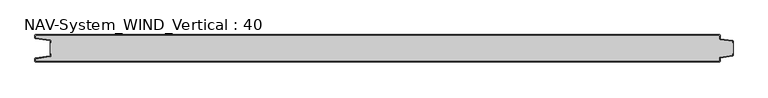
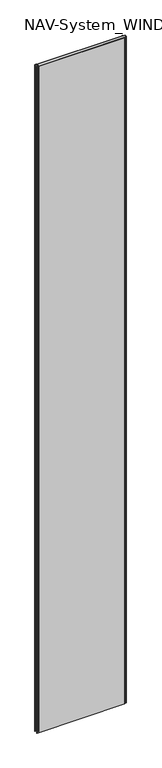
"""IFC4 building model written with IfcOpenShell, lengths in millimetres: plate geometry, NAV-System_WIND_Vertical : 40."""

from ifc_helpers import new_model, si_unit, point, frame_2d, origin, origin_with_axes, place, context, project, spatial, polyline, circle_curve, trimmed, segment, composite_curve, outline, extrude, source, transform, mapped, element, save


def nav_system_wind_vertical_40_eac60de3(model_context):
    return source(origin(), model_context, "Body", "SweptSolid", [
        extrude(outline(composite_curve([segment(polyline([(519.0, -28.2932637), (519.0, -30.1932637)]), True, "CONTINUOUS"), segment(trimmed(circle_curve(frame_2d((517.7, -30.1932637)), 1.3), [point((519.0, -30.1932637))], [point((517.8810287, -31.4805976))], False, "CARTESIAN"), True, "CONTINUOUS"), segment(polyline([(517.8810287, -31.4805976), (500.602523, -33.9103519)]), True, "CONTINUOUS"), segment(trimmed(circle_curve(frame_2d((500.7, -34.6035317)), 0.7), [point((500.602523, -33.9103519))], [point((500.0, -34.6035317))], True, "CARTESIAN"), True, "CONTINUOUS"), segment(polyline([(500.0, -34.6035317), (500.0, -38.7)]), True, "CONTINUOUS"), segment(trimmed(circle_curve(frame_2d((498.7, -38.7)), 1.3), [point((500.0, -38.7))], [point((498.7, -40.0))], False, "CARTESIAN"), True, "CONTINUOUS"), segment(polyline([(498.7, -40.0), (-498.7, -40.0)]), True, "CONTINUOUS"), segment(trimmed(circle_curve(frame_2d((-498.7, -38.7)), 1.3), [point((-498.7, -40.0))], [point((-500.0, -38.7))], False, "CARTESIAN"), True, "CONTINUOUS"), segment(polyline([(-500.0, -38.7), (-500.0, -35.6299809)]), True, "CONTINUOUS"), segment(trimmed(circle_curve(frame_2d((-498.7, -35.6299809)), 1.3), [point((-500.0, -35.6299809))], [point((-498.8810287, -34.342647))], False, "CARTESIAN"), True, "CONTINUOUS"), segment(polyline([(-498.8810287, -34.342647), (-478.102523, -31.4207123)]), True, "CONTINUOUS"), segment(trimmed(circle_curve(frame_2d((-478.2, -30.7275325)), 0.7), [point((-478.102523, -31.4207123))], [point((-477.5, -30.7275325))], True, "CARTESIAN"), True, "CONTINUOUS"), segment(polyline([(-477.5, -30.7275325), (-477.5, -28.3275325), (-476.7, -28.3275325), (-476.7, -30.7275325)]), True, "CONTINUOUS"), segment(trimmed(circle_curve(frame_2d((-478.2, -30.7275325)), 1.5), [point((-476.7, -30.7275325))], [point((-477.9911207, -32.2129178))], False, "CARTESIAN"), True, "CONTINUOUS"), segment(polyline([(-477.9911207, -32.2129178), (-499.2, -35.1953728), (-499.2, -38.7)]), True, "CONTINUOUS"), segment(trimmed(circle_curve(frame_2d((-498.7, -38.7)), 0.5), [point((-499.2, -38.7))], [point((-498.7, -39.2))], True, "CARTESIAN"), True, "CONTINUOUS"), segment(polyline([(-498.7, -39.2), (498.7, -39.2)]), True, "CONTINUOUS"), segment(trimmed(circle_curve(frame_2d((498.7, -38.7)), 0.5), [point((498.7, -39.2))], [point((499.2, -38.7))], True, "CARTESIAN"), True, "CONTINUOUS"), segment(polyline([(499.2, -38.7), (499.2, -34.6035317)]), True, "CONTINUOUS"), segment(trimmed(circle_curve(frame_2d((500.7, -34.6035317)), 1.5), [point((499.2, -34.6035317))], [point((500.4911207, -33.1181464))], False, "CARTESIAN"), True, "CONTINUOUS"), segment(polyline([(500.4911207, -33.1181464), (518.2, -30.6278717), (518.2, -28.2932637), (519.0, -28.2932637)]), True, "CONTINUOUS")], self_intersect=False)), origin_with_axes(), (0.0, 0.0, 1.0), 8000.0),
        extrude(outline(composite_curve([segment(polyline([(519.0, -11.7067363), (518.2, -11.7067363), (518.2, -9.3721283), (500.4911207, -6.8818536)]), True, "CONTINUOUS"), segment(trimmed(circle_curve(frame_2d((500.7, -5.3964683)), 1.5), [point((500.4911207, -6.8818536))], [point((499.2, -5.3964683))], False, "CARTESIAN"), True, "CONTINUOUS"), segment(polyline([(499.2, -5.3964683), (499.2, -1.3)]), True, "CONTINUOUS"), segment(trimmed(circle_curve(frame_2d((498.7, -1.3)), 0.5), [point((499.2, -1.3))], [point((498.7, -0.8))], True, "CARTESIAN"), True, "CONTINUOUS"), segment(polyline([(498.7, -0.8), (-498.7, -0.8)]), True, "CONTINUOUS"), segment(trimmed(circle_curve(frame_2d((-498.7, -1.3)), 0.5), [point((-498.7, -0.8))], [point((-499.2, -1.3))], True, "CARTESIAN"), True, "CONTINUOUS"), segment(polyline([(-499.2, -1.3), (-499.2, -4.8046272), (-477.9911207, -7.7870822)]), True, "CONTINUOUS"), segment(trimmed(circle_curve(frame_2d((-478.2, -9.2724675)), 1.5), [point((-477.9911207, -7.7870822))], [point((-476.7, -9.2724675))], False, "CARTESIAN"), True, "CONTINUOUS"), segment(polyline([(-476.7, -9.2724675), (-476.7, -11.6724675), (-477.5, -11.6724675), (-477.5, -9.2724675)]), True, "CONTINUOUS"), segment(trimmed(circle_curve(frame_2d((-478.2, -9.2724675)), 0.7), [point((-477.5, -9.2724675))], [point((-478.102523, -8.5792877))], True, "CARTESIAN"), True, "CONTINUOUS"), segment(polyline([(-478.102523, -8.5792877), (-498.8810287, -5.657353)]), True, "CONTINUOUS"), segment(trimmed(circle_curve(frame_2d((-498.7, -4.3700191)), 1.3), [point((-498.8810287, -5.657353))], [point((-500.0, -4.3700191))], False, "CARTESIAN"), True, "CONTINUOUS"), segment(polyline([(-500.0, -4.3700191), (-500.0, -1.3)]), True, "CONTINUOUS"), segment(trimmed(circle_curve(frame_2d((-498.7, -1.3)), 1.3), [point((-500.0, -1.3))], [point((-498.7, 0.0))], False, "CARTESIAN"), True, "CONTINUOUS"), segment(polyline([(-498.7, 0.0), (498.7, 0.0)]), True, "CONTINUOUS"), segment(trimmed(circle_curve(frame_2d((498.7, -1.3)), 1.3), [point((498.7, 0.0))], [point((500.0, -1.3))], False, "CARTESIAN"), True, "CONTINUOUS"), segment(polyline([(500.0, -1.3), (500.0, -5.3964683)]), True, "CONTINUOUS"), segment(trimmed(circle_curve(frame_2d((500.7, -5.3964683)), 0.7), [point((500.0, -5.3964683))], [point((500.602523, -6.0896481))], True, "CARTESIAN"), True, "CONTINUOUS"), segment(polyline([(500.602523, -6.0896481), (517.8810287, -8.5194024)]), True, "CONTINUOUS"), segment(trimmed(circle_curve(frame_2d((517.7, -9.8067363)), 1.3), [point((517.8810287, -8.5194024))], [point((519.0, -9.8067363))], False, "CARTESIAN"), True, "CONTINUOUS"), segment(polyline([(519.0, -9.8067363), (519.0, -11.7067363)]), True, "CONTINUOUS")], self_intersect=False)), origin_with_axes(), (0.0, 0.0, 1.0), 8000.0),
        extrude(outline(composite_curve([segment(polyline([(500.4911207, -6.8818536), (518.2, -9.3721283), (518.2, -11.6767555), (519.0, -11.6767555), (519.0, -28.2767555), (518.2, -28.2767555), (518.2, -30.6278717), (500.4911207, -33.1181464)]), True, "CONTINUOUS"), segment(trimmed(circle_curve(frame_2d((500.7, -34.6035317)), 1.5), [point((500.4911207, -33.1181464))], [point((499.2, -34.6035317))], True, "CARTESIAN"), True, "CONTINUOUS"), segment(polyline([(499.2, -34.6035317), (499.2, -38.7)]), True, "CONTINUOUS"), segment(trimmed(circle_curve(frame_2d((498.7, -38.7)), 0.5), [point((499.2, -38.7))], [point((498.7, -39.2))], False, "CARTESIAN"), True, "CONTINUOUS"), segment(polyline([(498.7, -39.2), (-498.7, -39.2)]), True, "CONTINUOUS"), segment(trimmed(circle_curve(frame_2d((-498.7, -38.7)), 0.5), [point((-498.7, -39.2))], [point((-499.2, -38.7))], False, "CARTESIAN"), True, "CONTINUOUS"), segment(polyline([(-499.2, -38.7), (-499.2, -35.1953728), (-477.9911207, -32.2129178)]), True, "CONTINUOUS"), segment(trimmed(circle_curve(frame_2d((-478.2, -30.7275325)), 1.5), [point((-477.9911207, -32.2129178))], [point((-476.7, -30.7275325))], True, "CARTESIAN"), True, "CONTINUOUS"), segment(polyline([(-476.7, -30.7275325), (-476.7, -28.2767555), (-477.5, -28.2767555), (-477.5, -11.6767555), (-476.7, -11.6767555), (-476.7, -9.2724675)]), True, "CONTINUOUS"), segment(trimmed(circle_curve(frame_2d((-478.2, -9.2724675)), 1.5), [point((-476.7, -9.2724675))], [point((-477.9911207, -7.7870822))], True, "CARTESIAN"), True, "CONTINUOUS"), segment(polyline([(-477.9911207, -7.7870822), (-499.2, -4.8046272), (-499.2, -1.3)]), True, "CONTINUOUS"), segment(trimmed(circle_curve(frame_2d((-498.7, -1.3)), 0.5), [point((-499.2, -1.3))], [point((-498.7, -0.8))], False, "CARTESIAN"), True, "CONTINUOUS"), segment(polyline([(-498.7, -0.8), (498.7, -0.8)]), True, "CONTINUOUS"), segment(trimmed(circle_curve(frame_2d((498.7, -1.3)), 0.5), [point((498.7, -0.8))], [point((499.2, -1.3))], False, "CARTESIAN"), True, "CONTINUOUS"), segment(polyline([(499.2, -1.3), (499.2, -5.3964683)]), True, "CONTINUOUS"), segment(trimmed(circle_curve(frame_2d((500.7, -5.3964683)), 1.5), [point((499.2, -5.3964683))], [point((500.4911207, -6.8818536))], True, "CARTESIAN"), True, "CONTINUOUS")], self_intersect=False)), origin_with_axes(), (0.0, 0.0, 1.0), 8000.0),
    ])


if __name__ == "__main__":
    model = new_model("IFC4")
    model_context = context("Model", 3, world=origin())
    ifc_project = project(units=[si_unit("LENGTHUNIT", "METRE", prefix="MILLI")], contexts=[model_context])
    site = spatial("IfcSite", under=ifc_project)
    building = spatial("IfcBuilding", under=site)
    placement = place(None, origin())
    nav_system_wind_vertical_40_shape = nav_system_wind_vertical_40_eac60de3(model_context)
    element("IfcPlate", 1, ObjectType="NAV-System_WIND_Vertical : 40", at=placement, inside=building, context=model_context, shape_type="MappedRepresentation", body=[
        mapped(nav_system_wind_vertical_40_shape, transform((0.0, 0.0, 0.0), x_axis=(1.0, 0.0, 0.0), y_axis=(0.0, 1.0, 0.0), z_axis=(0.0, 0.0, 1.0))),
    ])
    save(model, "model.ifc")
